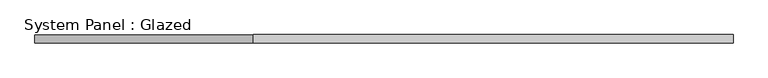
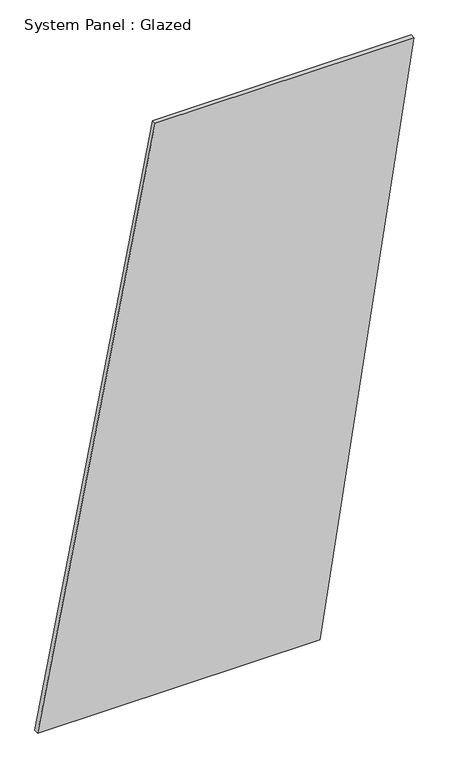
"""IFC4 building model written with IfcOpenShell, lengths in millimetres: plate geometry, System Panel : Glazed."""

from ifc_helpers import new_model, si_unit, frame, origin, place, context, project, spatial, polyline, outline, extrude, source, transform, mapped, element, save


def system_panel_glazed_36b61025(model_context):
    return source(origin(), model_context, "Body", "SweptSolid", [
        extrude(outline(polyline([(0.0, -1040.2667079), (0.0, 519.5005777), (3332.1999183, 1040.2667079), (3332.1999183, -389.3090451), (0.0, -1040.2667079)])), frame((0.0, -49.5, 0.0), z_axis=(0.0, 1.0, 0.0), x_axis=(0.0, 0.0, 1.0)), (0.0, 0.0, 1.0), 25.0),
    ])


if __name__ == "__main__":
    model = new_model("IFC4")
    model_context = context("Model", 3, world=origin())
    ifc_project = project(units=[si_unit("LENGTHUNIT", "METRE", prefix="MILLI")], contexts=[model_context])
    site = spatial("IfcSite", under=ifc_project)
    building = spatial("IfcBuilding", under=site)
    placement = place(None, origin())
    system_panel_glazed_shape = system_panel_glazed_36b61025(model_context)
    element("IfcPlate", 1, ObjectType="System Panel : Glazed", at=placement, inside=building, context=model_context, shape_type="MappedRepresentation", body=[
        mapped(system_panel_glazed_shape, transform((0.0, 0.0, 0.0), x_axis=(1.0, 0.0, 0.0), y_axis=(0.0, 1.0, 0.0), z_axis=(0.0, 0.0, 1.0))),
    ])
    save(model, "model.ifc")
